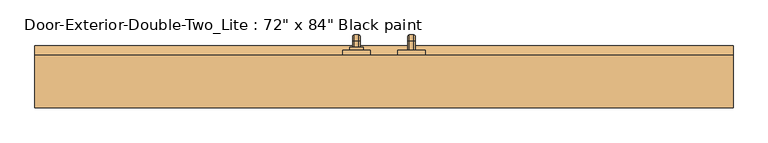
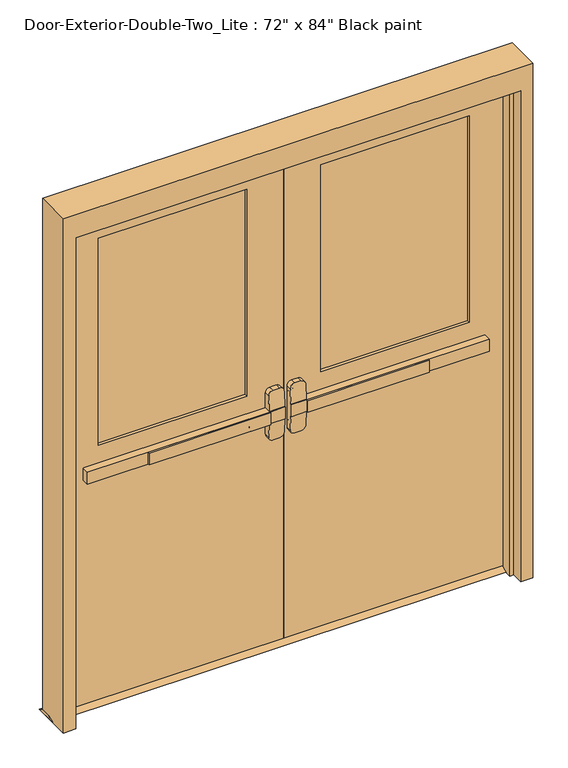
"""IFC4 building model written with IfcOpenShell, lengths in millimetres: door geometry."""

from ifc_helpers import new_model, si_unit, point, frame, frame_2d, origin, place, context, project, spatial, polyline, circle_curve, ellipse_curve, trimmed, segment, composite_curve, outline, extrude, faceted_brep, source, transform, mapped, element, save
from ifc_brep_helpers import plane_surface, cylinder_surface, revolved_surface, advanced_brep


def door_7283aeb8(model_context):
    return source(origin(), model_context, "Body", "SolidModel", [
        extrude(outline(polyline([(-575.7333333, 125.4125), (-575.7333333, 131.7625), (-76.2, 131.7625), (-76.2, 125.4125), (-575.7333333, 125.4125)])), frame((0.0, 0.0, 990.6), z_axis=(0.0, 0.0, 1.0), x_axis=(1.0, 0.0, 0.0)), (0.0, 0.0, 1.0), 50.8),
        advanced_brep(
        [(-12.7, 131.7625, 1041.4), (-76.2, 131.7625, 1041.4), (-825.5, 131.7625, 1041.4), (-825.5, 131.7625, 990.6), (-76.2, 131.7625, 990.6), (-12.7, 131.7625, 990.6), (-825.5, 163.5125, 1041.4), (-76.2, 163.5125, 1041.4), (-76.2, 163.5125, 1104.9), (-57.15, 163.5125, 1123.95), (-31.75, 163.5125, 1123.95), (-12.7, 163.5125, 1104.9), (-12.7, 163.5125, 927.1), (-31.75, 163.5125, 908.05), (-57.15, 163.5125, 908.05), (-76.2, 163.5125, 927.1), (-76.2, 163.5125, 990.6), (-825.5, 163.5125, 990.6), (-12.7, 134.9377467, 1041.4), (-76.2, 134.9377467, 1041.4), (-12.7, 134.9377467, 990.6), (-12.7, 139.9479269, 927.1), (-12.7, 139.9479269, 1104.9), (-76.2, 134.9377467, 990.6), (-76.2, 139.9479269, 1104.9), (-76.2, 139.9479269, 927.1), (-57.15, 141.450981, 1123.95), (-31.75, 141.450981, 1123.95), (-31.75, 141.450981, 908.05), (-57.15, 141.450981, 908.05)],
        [
            (0, 1),
            (1, 2),
            (2, 3),
            (3, 4),
            (4, 5),
            (5, 0),
            (6, 7),
            (7, 8),
            (8, 9, circle_curve(frame((-57.15, 163.5125, 1104.9), z_axis=(0.0, 1.0, 0.0), x_axis=(-1.0, 0.0, 0.0)), 19.05)),
            (9, 10),
            (10, 11, circle_curve(frame((-31.75, 163.5125, 1104.9), z_axis=(0.0, 1.0, 0.0), x_axis=(-1.0, 0.0, 0.0)), 19.05)),
            (11, 12),
            (12, 13, circle_curve(frame((-31.75, 163.5125, 927.1), z_axis=(0.0, 1.0, 0.0), x_axis=(-1.0, 0.0, 0.0)), 19.05)),
            (13, 14),
            (14, 15, circle_curve(frame((-57.15, 163.5125, 927.1), z_axis=(0.0, 1.0, 0.0), x_axis=(-1.0, 0.0, 0.0)), 19.05)),
            (15, 16),
            (16, 17),
            (17, 6),
            (0, 18),
            (18, 19),
            (19, 7),
            (6, 2),
            (5, 20),
            (20, 21),
            (21, 12),
            (11, 22),
            (22, 18),
            (16, 23),
            (23, 20),
            (3, 17),
            (19, 24),
            (24, 8),
            (15, 25),
            (25, 23),
            (9, 26),
            (26, 27),
            (27, 10),
            (13, 28),
            (28, 29),
            (29, 14),
            (29, 25, ellipse_curve(frame((-57.15, 139.9479269, 927.1), z_axis=(0.0, 0.9969018152893365, 0.07865602756830282), x_axis=(0.0, -0.07865602756830208, 0.9969018152893365)), 19.1092038, 19.05)),
            (24, 26, ellipse_curve(frame((-57.15, 139.9479269, 1104.9), z_axis=(0.0, 0.9969018152893376, -0.07865602756828934), x_axis=(0.0, -0.078656027568288, -0.9969018152893377)), 19.1092038, 19.05)),
            (27, 22, ellipse_curve(frame((-31.75, 139.9479269, 1104.9), z_axis=(0.0, 0.9969018152893376, -0.07865602756828934), x_axis=(0.0, -0.078656027568288, -0.9969018152893377)), 19.1092038, 19.05)),
            (21, 28, ellipse_curve(frame((-31.75, 139.9479269, 927.1), z_axis=(0.0, 0.9969018152893365, 0.07865602756830282), x_axis=(0.0, -0.07865602756830208, 0.9969018152893365)), 19.1092038, 19.05)),
        ],
        [
            plane_surface(frame((-12.7, 131.7625, 1041.4), z_axis=(0.0, -1.0, 0.0), x_axis=(1.0, 0.0, 0.0))),
            plane_surface(frame((-12.7, 163.5125, 1041.4), z_axis=(0.0, 1.0, 0.0), x_axis=(-1.0, 0.0, 0.0))),
            plane_surface(frame((-825.5, 131.7625, 1041.4), z_axis=(0.0, 0.0, 1.0), x_axis=(0.0, 1.0, 0.0))),
            plane_surface(frame((-12.7, 131.7625, 1041.4), z_axis=(1.0, 0.0, 0.0), x_axis=(0.0, 1.0, 0.0))),
            plane_surface(frame((-12.7, 131.7625, 990.6), z_axis=(0.0, 0.0, -1.0), x_axis=(0.0, 1.0, 0.0))),
            plane_surface(frame((-825.5, 131.7625, 990.6), z_axis=(-1.0, 0.0, 0.0), x_axis=(0.0, 1.0, 0.0))),
            plane_surface(frame((-76.2, 134.9377467, 927.1), z_axis=(-1.0, 0.0, 0.0), x_axis=(0.0, 1.0, 0.0))),
            plane_surface(frame((-57.15, 134.9377467, 1123.95), z_axis=(0.0, 0.0, 1.0), x_axis=(0.0, 1.0, 0.0))),
            plane_surface(frame((-31.75, 134.9377467, 908.05), z_axis=(0.0, 0.0, -1.0), x_axis=(0.0, 1.0, 0.0))),
            cylinder_surface(frame((-57.15, 163.5125, 927.1), z_axis=(0.0, -1.0, 0.0), x_axis=(-1.0, 0.0, 0.0)), 19.05),
            cylinder_surface(frame((-57.15, 163.5125, 1104.9), z_axis=(0.0, -1.0, 0.0), x_axis=(-1.0, 0.0, 0.0)), 19.05),
            cylinder_surface(frame((-31.75, 163.5125, 1104.9), z_axis=(0.0, -1.0, 0.0), x_axis=(-1.0, 0.0, 0.0)), 19.05),
            cylinder_surface(frame((-31.75, 163.5125, 927.1), z_axis=(0.0, -1.0, 0.0), x_axis=(-1.0, 0.0, 0.0)), 19.05),
            plane_surface(frame((-76.2, 134.9377467, 1041.4), z_axis=(0.0, -0.9969018152893376, 0.07865602756828934), x_axis=(1.0, 0.0, 0.0))),
            plane_surface(frame((-76.2, 141.450981, 908.05), z_axis=(0.0, -0.9969018152893365, -0.07865602756830282), x_axis=(1.0, 0.0, 0.0))),
        ],
        [
            (0, [[1, 2, 3, 4, 5, 6]]),
            (1, [[7, 8, 9, 10, 11, 12, 13, 14, 15, 16, 17, 18]]),
            (2, [[-2, -1, 19, 20, 21, -7, 22]]),
            (3, [[23, 24, 25, -12, 26, 27, -19, -6]]),
            (4, [[-17, 28, 29, -23, -5, -4, 30]]),
            (5, [[-22, -18, -30, -3]]),
            (6, [[-21, 31, 32, -8]]),
            (6, [[33, 34, -28, -16]]),
            (7, [[35, 36, 37, -10]]),
            (8, [[38, 39, 40, -14]]),
            (9, [[-40, 41, -33, -15]]),
            (10, [[-32, 42, -35, -9]]),
            (11, [[-37, 43, -26, -11]]),
            (12, [[-25, 44, -38, -13]]),
            (13, [[-27, -43, -36, -42, -31, -20]]),
            (14, [[-29, -34, -41, -39, -44, -24]]),
        ],
    ),
        extrude(outline(polyline([(207.9625, 12.7), (233.3625, 0.0), (138.1125, 0.0), (163.5125, 12.7), (207.9625, 12.7)])), frame((-965.2, 0.0, 0.0), z_axis=(1.0, 0.0, 0.0), x_axis=(0.0, 1.0, 0.0)), (0.0, 0.0, 1.0), 1930.4),
        extrude(outline(polyline([(575.7333333, 125.4125), (76.2, 125.4125), (76.2, 131.7625), (575.7333333, 131.7625), (575.7333333, 125.4125)])), frame((0.0, 0.0, 990.6), z_axis=(0.0, 0.0, 1.0), x_axis=(1.0, 0.0, 0.0)), (0.0, 0.0, 1.0), 50.8),
        advanced_brep(
        [(12.7, 131.7625, 1041.4), (12.7, 131.7625, 990.6), (76.2, 131.7625, 990.6), (825.5, 131.7625, 990.6), (825.5, 131.7625, 1041.4), (76.2, 131.7625, 1041.4), (825.5, 163.5125, 1041.4), (825.5, 163.5125, 990.6), (76.2, 163.5125, 990.6), (76.2, 163.5125, 927.1), (57.15, 163.5125, 908.05), (31.75, 163.5125, 908.05), (12.7, 163.5125, 927.1), (12.7, 163.5125, 1104.9), (31.75, 163.5125, 1123.95), (57.15, 163.5125, 1123.95), (76.2, 163.5125, 1104.9), (76.2, 163.5125, 1041.4), (76.2, 134.9377467, 1041.4), (12.7, 134.9377467, 1041.4), (12.7, 139.9479269, 1104.9), (12.7, 139.9479269, 927.1), (12.7, 134.9377467, 990.6), (76.2, 134.9377467, 990.6), (76.2, 139.9479269, 927.1), (76.2, 139.9479269, 1104.9), (31.75, 141.450981, 1123.95), (57.15, 141.450981, 1123.95), (57.15, 141.450981, 908.05), (31.75, 141.450981, 908.05)],
        [
            (0, 1),
            (1, 2),
            (2, 3),
            (3, 4),
            (4, 5),
            (5, 0),
            (6, 7),
            (7, 8),
            (8, 9),
            (9, 10, circle_curve(frame((57.15, 163.5125, 927.1), z_axis=(0.0, 1.0, 0.0), x_axis=(1.0, 0.0, 0.0)), 19.05)),
            (10, 11),
            (11, 12, circle_curve(frame((31.75, 163.5125, 927.1), z_axis=(0.0, 1.0, 0.0), x_axis=(1.0, 0.0, 0.0)), 19.05)),
            (12, 13),
            (13, 14, circle_curve(frame((31.75, 163.5125, 1104.9), z_axis=(0.0, 1.0, 0.0), x_axis=(1.0, 0.0, 0.0)), 19.05)),
            (14, 15),
            (15, 16, circle_curve(frame((57.15, 163.5125, 1104.9), z_axis=(0.0, 1.0, 0.0), x_axis=(1.0, 0.0, 0.0)), 19.05)),
            (16, 17),
            (17, 6),
            (4, 6),
            (17, 18),
            (18, 19),
            (19, 0),
            (19, 20),
            (20, 13),
            (12, 21),
            (21, 22),
            (22, 1),
            (7, 3),
            (22, 23),
            (23, 8),
            (23, 24),
            (24, 9),
            (16, 25),
            (25, 18),
            (14, 26),
            (26, 27),
            (27, 15),
            (10, 28),
            (28, 29),
            (29, 11),
            (24, 28, ellipse_curve(frame((57.15, 139.9479269, 927.1), z_axis=(0.0, 0.9969018152893365, 0.07865602756830282), x_axis=(0.0, -0.07865602756830208, 0.9969018152893365)), 19.1092038, 19.05)),
            (27, 25, ellipse_curve(frame((57.15, 139.9479269, 1104.9), z_axis=(0.0, 0.9969018152893376, -0.07865602756828934), x_axis=(0.0, -0.078656027568288, -0.9969018152893377)), 19.1092038, 19.05)),
            (20, 26, ellipse_curve(frame((31.75, 139.9479269, 1104.9), z_axis=(0.0, 0.9969018152893376, -0.07865602756828934), x_axis=(0.0, -0.078656027568288, -0.9969018152893377)), 19.1092038, 19.05)),
            (29, 21, ellipse_curve(frame((31.75, 139.9479269, 927.1), z_axis=(0.0, 0.9969018152893365, 0.07865602756830282), x_axis=(0.0, -0.07865602756830208, 0.9969018152893365)), 19.1092038, 19.05)),
        ],
        [
            plane_surface(frame((12.7, 131.7625, 1041.4), z_axis=(0.0, -1.0, 0.0), x_axis=(-1.0, 0.0, 0.0))),
            plane_surface(frame((12.7, 163.5125, 1041.4), z_axis=(0.0, 1.0, 0.0), x_axis=(1.0, 0.0, 0.0))),
            plane_surface(frame((825.5, 131.7625, 1041.4), z_axis=(0.0, 0.0, 1.0), x_axis=(0.0, 1.0, 0.0))),
            plane_surface(frame((12.7, 131.7625, 1041.4), z_axis=(-1.0, 0.0, 0.0), x_axis=(0.0, 1.0, 0.0))),
            plane_surface(frame((12.7, 131.7625, 990.6), z_axis=(0.0, 0.0, -1.0), x_axis=(0.0, 1.0, 0.0))),
            plane_surface(frame((825.5, 131.7625, 990.6), z_axis=(1.0, 0.0, 0.0), x_axis=(0.0, 1.0, 0.0))),
            plane_surface(frame((76.2, 134.9377467, 927.1), z_axis=(1.0, 0.0, 0.0), x_axis=(0.0, 1.0, 0.0))),
            plane_surface(frame((57.15, 134.9377467, 1123.95), z_axis=(0.0, 0.0, 1.0), x_axis=(0.0, 1.0, 0.0))),
            plane_surface(frame((31.75, 134.9377467, 908.05), z_axis=(0.0, 0.0, -1.0), x_axis=(0.0, 1.0, 0.0))),
            cylinder_surface(frame((57.15, 163.5125, 927.1), z_axis=(0.0, -1.0, 0.0), x_axis=(1.0, 0.0, 0.0)), 19.05),
            cylinder_surface(frame((57.15, 163.5125, 1104.9), z_axis=(0.0, -1.0, 0.0), x_axis=(1.0, 0.0, 0.0)), 19.05),
            cylinder_surface(frame((31.75, 163.5125, 1104.9), z_axis=(0.0, -1.0, 0.0), x_axis=(1.0, 0.0, 0.0)), 19.05),
            cylinder_surface(frame((31.75, 163.5125, 927.1), z_axis=(0.0, -1.0, 0.0), x_axis=(1.0, 0.0, 0.0)), 19.05),
            plane_surface(frame((76.2, 134.9377467, 1041.4), z_axis=(0.0, -0.9969018152893376, 0.07865602756828934), x_axis=(-1.0, 0.0, 0.0))),
            plane_surface(frame((76.2, 141.450981, 908.05), z_axis=(0.0, -0.9969018152893365, -0.07865602756830282), x_axis=(-1.0, 0.0, 0.0))),
        ],
        [
            (0, [[1, 2, 3, 4, 5, 6]]),
            (1, [[7, 8, 9, 10, 11, 12, 13, 14, 15, 16, 17, 18]]),
            (2, [[19, -18, 20, 21, 22, -6, -5]]),
            (3, [[-1, -22, 23, 24, -13, 25, 26, 27]]),
            (4, [[28, -3, -2, -27, 29, 30, -8]]),
            (5, [[-4, -28, -7, -19]]),
            (6, [[-9, -30, 31, 32]]),
            (6, [[-17, 33, 34, -20]]),
            (7, [[-15, 35, 36, 37]]),
            (8, [[-11, 38, 39, 40]]),
            (9, [[-10, -32, 41, -38]]),
            (10, [[-16, -37, 42, -33]]),
            (11, [[-14, -24, 43, -35]]),
            (12, [[-12, -40, 44, -25]]),
            (13, [[-21, -34, -42, -36, -43, -23]]),
            (14, [[-26, -44, -39, -41, -31, -29]]),
        ],
    ),
        advanced_brep(
        [(66.2, 220.6625, 1017.190625), (66.2, 220.6625, 1014.809375), (69.771875, 220.6625, 1011.2375), (82.6284594, 220.6625, 1011.2375), (86.2, 220.6625, 1014.8090406), (86.2, 220.6625, 1017.190625), (82.628125, 220.6625, 1020.7625), (69.771875, 220.6625, 1020.7625), (66.2, 220.6625, 887.809375), (69.771875, 220.6625, 884.2375), (82.628125, 220.6625, 884.2375), (86.2, 220.6625, 887.809375), (86.2, 220.6625, 890.1909594), (82.6284594, 220.6625, 893.7625), (69.771875, 220.6625, 893.7625), (66.2, 220.6625, 890.190625), (66.2, 246.0625, 1017.190625), (66.2, 259.953125, 1003.3), (66.2, 259.953125, 901.7), (66.2, 246.0625, 887.809375), (66.2, 246.0625, 890.190625), (66.2, 257.571875, 901.7), (66.2, 257.571875, 1003.3), (66.2, 246.0625, 1014.809375), (69.771875, 246.0625, 1011.2375), (82.6284594, 246.0625, 1011.2375), (86.2, 246.0625, 1014.8090406), (86.2, 257.5715406, 1003.3), (86.2, 257.5715406, 901.7), (86.2, 246.0625, 890.1909594), (86.2, 246.0625, 887.809375), (86.2, 259.953125, 901.7), (86.2, 259.953125, 1003.3), (86.2, 246.0625, 1017.190625), (82.628125, 246.0625, 1020.7625), (69.771875, 246.0625, 1020.7625), (69.771875, 254.0, 1003.3), (82.6284594, 254.0, 1003.3), (82.628125, 263.525, 1003.3), (69.771875, 263.525, 1003.3), (69.771875, 254.0, 901.7), (82.6284594, 254.0, 901.7), (82.628125, 263.525, 901.7), (69.771875, 263.525, 901.7), (69.771875, 246.0625, 893.7625), (82.6284594, 246.0625, 893.7625), (82.628125, 246.0625, 884.2375), (69.771875, 246.0625, 884.2375)],
        [
            (0, 1),
            (1, 2, circle_curve(frame((69.771875, 220.6625, 1014.809375), z_axis=(0.0, -1.0, 0.0), x_axis=(0.0, 0.0, 1.0)), 3.571875)),
            (2, 3),
            (3, 4, circle_curve(frame((82.6284594, 220.6625, 1014.8090406), z_axis=(0.0, -1.0, 0.0), x_axis=(0.0, 0.0, 1.0)), 3.5715406)),
            (4, 5),
            (5, 6, circle_curve(frame((82.628125, 220.6625, 1017.190625), z_axis=(0.0, -1.0, 0.0), x_axis=(0.0, 0.0, 1.0)), 3.571875)),
            (6, 7),
            (7, 0, circle_curve(frame((69.771875, 220.6625, 1017.190625), z_axis=(0.0, -1.0, 0.0), x_axis=(0.0, 0.0, 1.0)), 3.571875)),
            (8, 9, circle_curve(frame((69.771875, 220.6625, 887.809375), z_axis=(0.0, -1.0, 0.0), x_axis=(0.0, 0.0, -1.0)), 3.571875)),
            (9, 10),
            (10, 11, circle_curve(frame((82.628125, 220.6625, 887.809375), z_axis=(0.0, -1.0, 0.0), x_axis=(0.0, 0.0, -1.0)), 3.571875)),
            (11, 12),
            (12, 13, circle_curve(frame((82.6284594, 220.6625, 890.1909594), z_axis=(0.0, -1.0, 0.0), x_axis=(0.0, 0.0, -1.0)), 3.5715406)),
            (13, 14),
            (14, 15, circle_curve(frame((69.771875, 220.6625, 890.190625), z_axis=(0.0, -1.0, 0.0), x_axis=(0.0, 0.0, -1.0)), 3.571875)),
            (15, 8),
            (0, 16),
            (16, 17, circle_curve(frame((66.2, 246.0625, 1003.3), z_axis=(-1.0, 0.0, 0.0), x_axis=(0.0, 0.0, 1.0)), 13.890625)),
            (17, 18),
            (18, 19, circle_curve(frame((66.2, 246.0625, 901.7), z_axis=(-1.0, 0.0, 0.0), x_axis=(0.0, 1.0, 0.0)), 13.890625)),
            (19, 8),
            (15, 20),
            (20, 21, circle_curve(frame((66.2, 246.0625, 901.7), z_axis=(1.0, 0.0, 0.0), x_axis=(0.0, 1.0, 0.0)), 11.509375)),
            (21, 22),
            (22, 23, circle_curve(frame((66.2, 246.0625, 1003.3), z_axis=(1.0, 0.0, 0.0), x_axis=(0.0, 0.0, 1.0)), 11.509375)),
            (23, 1),
            (23, 24, circle_curve(frame((69.771875, 246.0625, 1014.809375), z_axis=(0.0, -1.0, 0.0), x_axis=(0.0, 0.0, 1.0)), 3.571875)),
            (24, 2),
            (24, 25),
            (25, 3),
            (25, 26, circle_curve(frame((82.6284594, 246.0625, 1014.8090406), z_axis=(0.0, -1.0, 0.0), x_axis=(0.0, 0.0, 1.0)), 3.5715406)),
            (26, 4),
            (26, 27, circle_curve(frame((86.2, 246.0625, 1003.3), z_axis=(-1.0, 0.0, 0.0), x_axis=(0.0, 0.0, 1.0)), 11.5090406)),
            (27, 28),
            (28, 29, circle_curve(frame((86.2, 246.0625, 901.7), z_axis=(-1.0, 0.0, 0.0), x_axis=(0.0, 1.0, 0.0)), 11.5090406)),
            (29, 12),
            (11, 30),
            (30, 31, circle_curve(frame((86.2, 246.0625, 901.7), z_axis=(1.0, 0.0, 0.0), x_axis=(0.0, 1.0, 0.0)), 13.890625)),
            (31, 32),
            (32, 33, circle_curve(frame((86.2, 246.0625, 1003.3), z_axis=(1.0, 0.0, 0.0), x_axis=(0.0, 0.0, 1.0)), 13.890625)),
            (33, 5),
            (33, 34, circle_curve(frame((82.628125, 246.0625, 1017.190625), z_axis=(0.0, -1.0, 0.0), x_axis=(0.0, 0.0, 1.0)), 3.571875)),
            (34, 6),
            (34, 35),
            (35, 7),
            (35, 16, circle_curve(frame((69.771875, 246.0625, 1017.190625), z_axis=(0.0, -1.0, 0.0), x_axis=(0.0, 0.0, 1.0)), 3.571875)),
            (36, 24, circle_curve(frame((69.771875, 246.0625, 1003.3), z_axis=(1.0, 0.0, 0.0), x_axis=(0.0, 0.0, 1.0)), 7.9375)),
            (22, 36, circle_curve(frame((69.771875, 257.571875, 1003.3), z_axis=(0.0, 0.0, 1.0), x_axis=(0.0, 1.0, 0.0)), 3.571875)),
            (37, 25, circle_curve(frame((82.6284594, 246.0625, 1003.3), z_axis=(1.0, 0.0, 0.0), x_axis=(0.0, 0.0, 1.0)), 7.9375)),
            (36, 37),
            (37, 27, circle_curve(frame((82.6284594, 257.5715406, 1003.3), z_axis=(0.0, 0.0, 1.0), x_axis=(0.0, 1.0, 0.0)), 3.5715406)),
            (38, 34, circle_curve(frame((82.628125, 246.0625, 1003.3), z_axis=(1.0, 0.0, 0.0), x_axis=(0.0, 0.0, 1.0)), 17.4625)),
            (32, 38, circle_curve(frame((82.628125, 259.953125, 1003.3), z_axis=(0.0, 0.0, 1.0), x_axis=(0.0, 1.0, 0.0)), 3.571875)),
            (39, 35, circle_curve(frame((69.771875, 246.0625, 1003.3), z_axis=(1.0, 0.0, 0.0), x_axis=(0.0, 0.0, 1.0)), 17.4625)),
            (38, 39),
            (39, 17, circle_curve(frame((69.771875, 259.953125, 1003.3), z_axis=(0.0, 0.0, 1.0), x_axis=(0.0, 1.0, 0.0)), 3.571875)),
            (21, 40, circle_curve(frame((69.771875, 257.571875, 901.7), z_axis=(0.0, 0.0, 1.0), x_axis=(0.0, 1.0, 0.0)), 3.571875)),
            (40, 36),
            (40, 41),
            (41, 37),
            (41, 28, circle_curve(frame((82.6284594, 257.5715406, 901.7), z_axis=(0.0, 0.0, 1.0), x_axis=(0.0, 1.0, 0.0)), 3.5715406)),
            (31, 42, circle_curve(frame((82.628125, 259.953125, 901.7), z_axis=(0.0, 0.0, 1.0), x_axis=(0.0, 1.0, 0.0)), 3.571875)),
            (42, 38),
            (42, 43),
            (43, 39),
            (43, 18, circle_curve(frame((69.771875, 259.953125, 901.7), z_axis=(0.0, 0.0, 1.0), x_axis=(0.0, 1.0, 0.0)), 3.571875)),
            (44, 40, circle_curve(frame((69.771875, 246.0625, 901.7), z_axis=(1.0, 0.0, 0.0), x_axis=(0.0, 1.0, 0.0)), 7.9375)),
            (20, 44, circle_curve(frame((69.771875, 246.0625, 890.190625), z_axis=(0.0, 1.0, 0.0), x_axis=(0.0, 0.0, -1.0)), 3.571875)),
            (45, 41, circle_curve(frame((82.6284594, 246.0625, 901.7), z_axis=(1.0, 0.0, 0.0), x_axis=(0.0, 1.0, 0.0)), 7.9375)),
            (44, 45),
            (45, 29, circle_curve(frame((82.6284594, 246.0625, 890.1909594), z_axis=(0.0, 1.0, 0.0), x_axis=(0.0, 0.0, -1.0)), 3.5715406)),
            (46, 42, circle_curve(frame((82.628125, 246.0625, 901.7), z_axis=(1.0, 0.0, 0.0), x_axis=(0.0, 1.0, 0.0)), 17.4625)),
            (30, 46, circle_curve(frame((82.628125, 246.0625, 887.809375), z_axis=(0.0, 1.0, 0.0), x_axis=(0.0, 0.0, -1.0)), 3.571875)),
            (47, 43, circle_curve(frame((69.771875, 246.0625, 901.7), z_axis=(1.0, 0.0, 0.0), x_axis=(0.0, 1.0, 0.0)), 17.4625)),
            (46, 47),
            (47, 19, circle_curve(frame((69.771875, 246.0625, 887.809375), z_axis=(0.0, 1.0, 0.0), x_axis=(0.0, 0.0, -1.0)), 3.571875)),
            (14, 44),
            (13, 45),
            (10, 46),
            (9, 47),
        ],
        [
            plane_surface(frame((76.2, 220.6625, 1016.0), z_axis=(0.0, -1.0, 0.0), x_axis=(1.0, 0.0, 0.0))),
            plane_surface(frame((76.2, 220.6625, 889.0), z_axis=(0.0, -1.0, 0.0), x_axis=(1.0, 0.0, 0.0))),
            plane_surface(frame((66.2, 220.6625, 1017.190625), z_axis=(-1.0, 0.0, 0.0), x_axis=(0.0, 1.0, 0.0))),
            cylinder_surface(frame((69.771875, 220.6625, 1014.809375), z_axis=(0.0, -1.0, 0.0), x_axis=(0.0, 0.0, 1.0)), 3.571875),
            plane_surface(frame((69.771875, 220.6625, 1011.2375), z_axis=(0.0, 0.0, -1.0), x_axis=(0.0, 1.0, 0.0))),
            cylinder_surface(frame((82.6284594, 220.6625, 1014.8090406), z_axis=(0.0, -1.0, 0.0), x_axis=(0.0, 0.0, 1.0)), 3.5715406),
            plane_surface(frame((86.2, 220.6625, 1014.8090406), z_axis=(1.0, 0.0, 0.0), x_axis=(0.0, 1.0, 0.0))),
            cylinder_surface(frame((82.628125, 220.6625, 1017.190625), z_axis=(0.0, -1.0, 0.0), x_axis=(0.0, 0.0, 1.0)), 3.571875),
            plane_surface(frame((82.628125, 220.6625, 1020.7625), z_axis=(0.0, 0.0, 1.0), x_axis=(0.0, 1.0, 0.0))),
            cylinder_surface(frame((69.771875, 220.6625, 1017.190625), z_axis=(0.0, -1.0, 0.0), x_axis=(0.0, 0.0, 1.0)), 3.571875),
            revolved_surface(trimmed(ellipse_curve(frame((69.771875, 246.0625, 1014.809375), z_axis=(0.0, -1.0, 0.0), x_axis=(0.0, 0.0, 1.0)), 3.571875, 3.571875), [point((66.2, 246.0625, 1014.809375))], [point((69.771875, 246.0625, 1011.2375))], True, "CARTESIAN"), (76.2, 246.0625, 1003.3), (-1.0, 0.0, 0.0)),
            revolved_surface(polyline([(69.771875, 246.0625, 1011.2375), (82.6284594, 246.0625, 1011.2375)]), (76.2, 246.0625, 1003.3), (-1.0, 0.0, 0.0)),
            revolved_surface(trimmed(ellipse_curve(frame((82.6284594, 246.0625, 1014.8090406), z_axis=(0.0, -1.0, 0.0), x_axis=(0.0, 0.0, 1.0)), 3.5715406, 3.5715406), [point((82.6284594, 246.0625, 1011.2375))], [point((86.2, 246.0625, 1014.8090406))], True, "CARTESIAN"), (76.2, 246.0625, 1003.3), (-1.0, 0.0, 0.0)),
            revolved_surface(trimmed(ellipse_curve(frame((82.628125, 246.0625, 1017.190625), z_axis=(0.0, -1.0, 0.0), x_axis=(0.0, 0.0, 1.0)), 3.571875, 3.571875), [point((86.2, 246.0625, 1017.190625))], [point((82.628125, 246.0625, 1020.7625))], True, "CARTESIAN"), (76.2, 246.0625, 1003.3), (-1.0, 0.0, 0.0)),
            cylinder_surface(frame((76.2, 246.0625, 1003.3), z_axis=(-1.0, 0.0, 0.0), x_axis=(0.0, 0.0, 1.0)), 17.4625),
            revolved_surface(trimmed(ellipse_curve(frame((69.771875, 246.0625, 1017.190625), z_axis=(0.0, -1.0, 0.0), x_axis=(0.0, 0.0, 1.0)), 3.571875, 3.571875), [point((69.771875, 246.0625, 1020.7625))], [point((66.2, 246.0625, 1017.190625))], True, "CARTESIAN"), (76.2, 246.0625, 1003.3), (-1.0, 0.0, 0.0)),
            cylinder_surface(frame((69.771875, 257.571875, 1003.3), z_axis=(0.0, 0.0, 1.0), x_axis=(0.0, 1.0, 0.0)), 3.571875),
            plane_surface(frame((69.771875, 254.0, 1003.3), z_axis=(0.0, -1.0, 0.0), x_axis=(0.0, 0.0, -1.0))),
            cylinder_surface(frame((82.6284594, 257.5715406, 1003.3), z_axis=(0.0, 0.0, 1.0), x_axis=(0.0, 1.0, 0.0)), 3.5715406),
            cylinder_surface(frame((82.628125, 259.953125, 1003.3), z_axis=(0.0, 0.0, 1.0), x_axis=(0.0, 1.0, 0.0)), 3.571875),
            plane_surface(frame((82.628125, 263.525, 1003.3), z_axis=(0.0, 1.0, 0.0), x_axis=(0.0, 0.0, -1.0))),
            cylinder_surface(frame((69.771875, 259.953125, 1003.3), z_axis=(0.0, 0.0, 1.0), x_axis=(0.0, 1.0, 0.0)), 3.571875),
            revolved_surface(trimmed(ellipse_curve(frame((69.771875, 257.571875, 901.7), z_axis=(0.0, 0.0, 1.0), x_axis=(0.0, 1.0, 0.0)), 3.571875, 3.571875), [point((66.2, 257.571875, 901.7))], [point((69.771875, 254.0, 901.7))], True, "CARTESIAN"), (76.2, 246.0625, 901.7), (-1.0, 0.0, 0.0)),
            revolved_surface(polyline([(69.771875, 254.0, 901.7), (82.6284594, 254.0, 901.7)]), (76.2, 246.0625, 901.7), (-1.0, 0.0, 0.0)),
            revolved_surface(trimmed(ellipse_curve(frame((82.6284594, 257.5715406, 901.7), z_axis=(0.0, 0.0, 1.0), x_axis=(0.0, 1.0, 0.0)), 3.5715406, 3.5715406), [point((82.6284594, 254.0, 901.7))], [point((86.2, 257.5715406, 901.7))], True, "CARTESIAN"), (76.2, 246.0625, 901.7), (-1.0, 0.0, 0.0)),
            revolved_surface(trimmed(ellipse_curve(frame((82.628125, 259.953125, 901.7), z_axis=(0.0, 0.0, 1.0), x_axis=(0.0, 1.0, 0.0)), 3.571875, 3.571875), [point((86.2, 259.953125, 901.7))], [point((82.628125, 263.525, 901.7))], True, "CARTESIAN"), (76.2, 246.0625, 901.7), (-1.0, 0.0, 0.0)),
            cylinder_surface(frame((76.2, 246.0625, 901.7), z_axis=(-1.0, 0.0, 0.0), x_axis=(0.0, 1.0, 0.0)), 17.4625),
            revolved_surface(trimmed(ellipse_curve(frame((69.771875, 259.953125, 901.7), z_axis=(0.0, 0.0, 1.0), x_axis=(0.0, 1.0, 0.0)), 3.571875, 3.571875), [point((69.771875, 263.525, 901.7))], [point((66.2, 259.953125, 901.7))], True, "CARTESIAN"), (76.2, 246.0625, 901.7), (-1.0, 0.0, 0.0)),
            cylinder_surface(frame((69.771875, 246.0625, 890.190625), z_axis=(0.0, 1.0, 0.0), x_axis=(0.0, 0.0, -1.0)), 3.571875),
            plane_surface(frame((69.771875, 246.0625, 893.7625), z_axis=(0.0, 0.0, 1.0), x_axis=(0.0, -1.0, 0.0))),
            cylinder_surface(frame((82.6284594, 246.0625, 890.1909594), z_axis=(0.0, 1.0, 0.0), x_axis=(0.0, 0.0, -1.0)), 3.5715406),
            cylinder_surface(frame((82.628125, 246.0625, 887.809375), z_axis=(0.0, 1.0, 0.0), x_axis=(0.0, 0.0, -1.0)), 3.571875),
            plane_surface(frame((82.628125, 246.0625, 884.2375), z_axis=(0.0, 0.0, -1.0), x_axis=(0.0, -1.0, 0.0))),
            cylinder_surface(frame((69.771875, 246.0625, 887.809375), z_axis=(0.0, 1.0, 0.0), x_axis=(0.0, 0.0, -1.0)), 3.571875),
        ],
        [
            (0, [[1, 2, 3, 4, 5, 6, 7, 8]]),
            (1, [[9, 10, 11, 12, 13, 14, 15, 16]]),
            (2, [[-1, 17, 18, 19, 20, 21, -16, 22, 23, 24, 25, 26]]),
            (3, [[-2, -26, 27, 28]]),
            (4, [[-3, -28, 29, 30]]),
            (5, [[-4, -30, 31, 32]]),
            (6, [[-5, -32, 33, 34, 35, 36, -12, 37, 38, 39, 40, 41]]),
            (7, [[-6, -41, 42, 43]]),
            (8, [[-7, -43, 44, 45]]),
            (9, [[-8, -45, 46, -17]]),
            (10, [[47, -27, -25, 48]]),
            (11, [[49, -29, -47, 50]]),
            (12, [[-33, -31, -49, 51]]),
            (13, [[52, -42, -40, 53]]),
            (14, [[54, -44, -52, 55]]),
            (15, [[-18, -46, -54, 56]]),
            (16, [[-48, -24, 57, 58]]),
            (17, [[-50, -58, 59, 60]]),
            (18, [[-51, -60, 61, -34]]),
            (19, [[-53, -39, 62, 63]]),
            (20, [[-55, -63, 64, 65]]),
            (21, [[-56, -65, 66, -19]]),
            (22, [[67, -57, -23, 68]]),
            (23, [[69, -59, -67, 70]]),
            (24, [[-35, -61, -69, 71]]),
            (25, [[72, -62, -38, 73]]),
            (26, [[74, -64, -72, 75]]),
            (27, [[-20, -66, -74, 76]]),
            (28, [[-68, -22, -15, 77]]),
            (29, [[-70, -77, -14, 78]]),
            (30, [[-71, -78, -13, -36]]),
            (31, [[-73, -37, -11, 79]]),
            (32, [[-75, -79, -10, 80]]),
            (33, [[-76, -80, -9, -21]]),
        ],
    ),
        extrude(outline(composite_curve([segment(trimmed(circle_curve(frame_2d((1113.0338574, 76.2)), 89.3016225), [point((1193.8, 114.3))], [point((1193.8, 38.1))], False, "CARTESIAN"), True, "CONTINUOUS"), segment(polyline([(1193.8, 38.1), (838.2, 38.1)]), True, "CONTINUOUS"), segment(trimmed(circle_curve(frame_2d((918.9661426, 76.2)), 89.3016225), [point((838.2, 38.1))], [point((838.2, 114.3))], False, "CARTESIAN"), True, "CONTINUOUS"), segment(polyline([(838.2, 114.3), (1193.8, 114.3)]), True, "CONTINUOUS")], self_intersect=False)), frame((0.0, 207.9625, 0.0), z_axis=(0.0, 1.0, 0.0), x_axis=(0.0, 0.0, 1.0)), (0.0, 0.0, 1.0), 12.7),
        advanced_brep(
        [(-86.2, 220.6625, 1017.190625), (-86.2, 220.6625, 1014.809375), (-82.628125, 220.6625, 1011.2375), (-69.7715406, 220.6625, 1011.2375), (-66.2, 220.6625, 1014.8090406), (-66.2, 220.6625, 1017.190625), (-69.771875, 220.6625, 1020.7625), (-82.628125, 220.6625, 1020.7625), (-86.2, 220.6625, 887.809375), (-82.628125, 220.6625, 884.2375), (-69.771875, 220.6625, 884.2375), (-66.2, 220.6625, 887.809375), (-66.2, 220.6625, 890.1909594), (-69.7715406, 220.6625, 893.7625), (-82.628125, 220.6625, 893.7625), (-86.2, 220.6625, 890.190625), (-86.2, 246.0625, 1017.190625), (-86.2, 259.953125, 1003.3), (-86.2, 259.953125, 901.7), (-86.2, 246.0625, 887.809375), (-86.2, 246.0625, 890.190625), (-86.2, 257.571875, 901.7), (-86.2, 257.571875, 1003.3), (-86.2, 246.0625, 1014.809375), (-82.628125, 246.0625, 1011.2375), (-69.7715406, 246.0625, 1011.2375), (-66.2, 246.0625, 1014.8090406), (-66.2, 257.5715406, 1003.3), (-66.2, 257.5715406, 901.7), (-66.2, 246.0625, 890.1909594), (-66.2, 246.0625, 887.809375), (-66.2, 259.953125, 901.7), (-66.2, 259.953125, 1003.3), (-66.2, 246.0625, 1017.190625), (-69.771875, 246.0625, 1020.7625), (-82.628125, 246.0625, 1020.7625), (-82.628125, 254.0, 1003.3), (-69.7715406, 254.0, 1003.3), (-69.771875, 263.525, 1003.3), (-82.628125, 263.525, 1003.3), (-82.628125, 254.0, 901.7), (-69.7715406, 254.0, 901.7), (-69.771875, 263.525, 901.7), (-82.628125, 263.525, 901.7), (-82.628125, 246.0625, 893.7625), (-69.7715406, 246.0625, 893.7625), (-69.771875, 246.0625, 884.2375), (-82.628125, 246.0625, 884.2375)],
        [
            (0, 1),
            (1, 2, circle_curve(frame((-82.628125, 220.6625, 1014.809375), z_axis=(0.0, -1.0, 0.0), x_axis=(0.0, 0.0, 1.0)), 3.571875)),
            (2, 3),
            (3, 4, circle_curve(frame((-69.7715406, 220.6625, 1014.8090406), z_axis=(0.0, -1.0, 0.0), x_axis=(0.0, 0.0, 1.0)), 3.5715406)),
            (4, 5),
            (5, 6, circle_curve(frame((-69.771875, 220.6625, 1017.190625), z_axis=(0.0, -1.0, 0.0), x_axis=(0.0, 0.0, 1.0)), 3.571875)),
            (6, 7),
            (7, 0, circle_curve(frame((-82.628125, 220.6625, 1017.190625), z_axis=(0.0, -1.0, 0.0), x_axis=(0.0, 0.0, 1.0)), 3.571875)),
            (8, 9, circle_curve(frame((-82.628125, 220.6625, 887.809375), z_axis=(0.0, -1.0, 0.0), x_axis=(0.0, 0.0, -1.0)), 3.571875)),
            (9, 10),
            (10, 11, circle_curve(frame((-69.771875, 220.6625, 887.809375), z_axis=(0.0, -1.0, 0.0), x_axis=(0.0, 0.0, -1.0)), 3.571875)),
            (11, 12),
            (12, 13, circle_curve(frame((-69.7715406, 220.6625, 890.1909594), z_axis=(0.0, -1.0, 0.0), x_axis=(0.0, 0.0, -1.0)), 3.5715406)),
            (13, 14),
            (14, 15, circle_curve(frame((-82.628125, 220.6625, 890.190625), z_axis=(0.0, -1.0, 0.0), x_axis=(0.0, 0.0, -1.0)), 3.571875)),
            (15, 8),
            (0, 16),
            (16, 17, circle_curve(frame((-86.2, 246.0625, 1003.3), z_axis=(-1.0, 0.0, 0.0), x_axis=(0.0, 0.0, 1.0)), 13.890625)),
            (17, 18),
            (18, 19, circle_curve(frame((-86.2, 246.0625, 901.7), z_axis=(-1.0, 0.0, 0.0), x_axis=(0.0, 1.0, 0.0)), 13.890625)),
            (19, 8),
            (15, 20),
            (20, 21, circle_curve(frame((-86.2, 246.0625, 901.7), z_axis=(1.0, 0.0, 0.0), x_axis=(0.0, 1.0, 0.0)), 11.509375)),
            (21, 22),
            (22, 23, circle_curve(frame((-86.2, 246.0625, 1003.3), z_axis=(1.0, 0.0, 0.0), x_axis=(0.0, 0.0, 1.0)), 11.509375)),
            (23, 1),
            (23, 24, circle_curve(frame((-82.628125, 246.0625, 1014.809375), z_axis=(0.0, -1.0, 0.0), x_axis=(0.0, 0.0, 1.0)), 3.571875)),
            (24, 2),
            (24, 25),
            (25, 3),
            (25, 26, circle_curve(frame((-69.7715406, 246.0625, 1014.8090406), z_axis=(0.0, -1.0, 0.0), x_axis=(0.0, 0.0, 1.0)), 3.5715406)),
            (26, 4),
            (26, 27, circle_curve(frame((-66.2, 246.0625, 1003.3), z_axis=(-1.0, 0.0, 0.0), x_axis=(0.0, 0.0, 1.0)), 11.5090406)),
            (27, 28),
            (28, 29, circle_curve(frame((-66.2, 246.0625, 901.7), z_axis=(-1.0, 0.0, 0.0), x_axis=(0.0, 1.0, 0.0)), 11.5090406)),
            (29, 12),
            (11, 30),
            (30, 31, circle_curve(frame((-66.2, 246.0625, 901.7), z_axis=(1.0, 0.0, 0.0), x_axis=(0.0, 1.0, 0.0)), 13.890625)),
            (31, 32),
            (32, 33, circle_curve(frame((-66.2, 246.0625, 1003.3), z_axis=(1.0, 0.0, 0.0), x_axis=(0.0, 0.0, 1.0)), 13.890625)),
            (33, 5),
            (33, 34, circle_curve(frame((-69.771875, 246.0625, 1017.190625), z_axis=(0.0, -1.0, 0.0), x_axis=(0.0, 0.0, 1.0)), 3.571875)),
            (34, 6),
            (34, 35),
            (35, 7),
            (35, 16, circle_curve(frame((-82.628125, 246.0625, 1017.190625), z_axis=(0.0, -1.0, 0.0), x_axis=(0.0, 0.0, 1.0)), 3.571875)),
            (36, 24, circle_curve(frame((-82.628125, 246.0625, 1003.3), z_axis=(1.0, 0.0, 0.0), x_axis=(0.0, 0.0, 1.0)), 7.9375)),
            (22, 36, circle_curve(frame((-82.628125, 257.571875, 1003.3), z_axis=(0.0, 0.0, 1.0), x_axis=(0.0, 1.0, 0.0)), 3.571875)),
            (37, 25, circle_curve(frame((-69.7715406, 246.0625, 1003.3), z_axis=(1.0, 0.0, 0.0), x_axis=(0.0, 0.0, 1.0)), 7.9375)),
            (36, 37),
            (37, 27, circle_curve(frame((-69.7715406, 257.5715406, 1003.3), z_axis=(0.0, 0.0, 1.0), x_axis=(0.0, 1.0, 0.0)), 3.5715406)),
            (38, 34, circle_curve(frame((-69.771875, 246.0625, 1003.3), z_axis=(1.0, 0.0, 0.0), x_axis=(0.0, 0.0, 1.0)), 17.4625)),
            (32, 38, circle_curve(frame((-69.771875, 259.953125, 1003.3), z_axis=(0.0, 0.0, 1.0), x_axis=(0.0, 1.0, 0.0)), 3.571875)),
            (39, 35, circle_curve(frame((-82.628125, 246.0625, 1003.3), z_axis=(1.0, 0.0, 0.0), x_axis=(0.0, 0.0, 1.0)), 17.4625)),
            (38, 39),
            (39, 17, circle_curve(frame((-82.628125, 259.953125, 1003.3), z_axis=(0.0, 0.0, 1.0), x_axis=(0.0, 1.0, 0.0)), 3.571875)),
            (21, 40, circle_curve(frame((-82.628125, 257.571875, 901.7), z_axis=(0.0, 0.0, 1.0), x_axis=(0.0, 1.0, 0.0)), 3.571875)),
            (40, 36),
            (40, 41),
            (41, 37),
            (41, 28, circle_curve(frame((-69.7715406, 257.5715406, 901.7), z_axis=(0.0, 0.0, 1.0), x_axis=(0.0, 1.0, 0.0)), 3.5715406)),
            (31, 42, circle_curve(frame((-69.771875, 259.953125, 901.7), z_axis=(0.0, 0.0, 1.0), x_axis=(0.0, 1.0, 0.0)), 3.571875)),
            (42, 38),
            (42, 43),
            (43, 39),
            (43, 18, circle_curve(frame((-82.628125, 259.953125, 901.7), z_axis=(0.0, 0.0, 1.0), x_axis=(0.0, 1.0, 0.0)), 3.571875)),
            (44, 40, circle_curve(frame((-82.628125, 246.0625, 901.7), z_axis=(1.0, 0.0, 0.0), x_axis=(0.0, 1.0, 0.0)), 7.9375)),
            (20, 44, circle_curve(frame((-82.628125, 246.0625, 890.190625), z_axis=(0.0, 1.0, 0.0), x_axis=(0.0, 0.0, -1.0)), 3.571875)),
            (45, 41, circle_curve(frame((-69.7715406, 246.0625, 901.7), z_axis=(1.0, 0.0, 0.0), x_axis=(0.0, 1.0, 0.0)), 7.9375)),
            (44, 45),
            (45, 29, circle_curve(frame((-69.7715406, 246.0625, 890.1909594), z_axis=(0.0, 1.0, 0.0), x_axis=(0.0, 0.0, -1.0)), 3.5715406)),
            (46, 42, circle_curve(frame((-69.771875, 246.0625, 901.7), z_axis=(1.0, 0.0, 0.0), x_axis=(0.0, 1.0, 0.0)), 17.4625)),
            (30, 46, circle_curve(frame((-69.771875, 246.0625, 887.809375), z_axis=(0.0, 1.0, 0.0), x_axis=(0.0, 0.0, -1.0)), 3.571875)),
            (47, 43, circle_curve(frame((-82.628125, 246.0625, 901.7), z_axis=(1.0, 0.0, 0.0), x_axis=(0.0, 1.0, 0.0)), 17.4625)),
            (46, 47),
            (47, 19, circle_curve(frame((-82.628125, 246.0625, 887.809375), z_axis=(0.0, 1.0, 0.0), x_axis=(0.0, 0.0, -1.0)), 3.571875)),
            (14, 44),
            (13, 45),
            (10, 46),
            (9, 47),
        ],
        [
            plane_surface(frame((-76.2, 220.6625, 1016.0), z_axis=(0.0, -1.0, 0.0), x_axis=(1.0, 0.0, 0.0))),
            plane_surface(frame((-76.2, 220.6625, 889.0), z_axis=(0.0, -1.0, 0.0), x_axis=(1.0, 0.0, 0.0))),
            plane_surface(frame((-86.2, 220.6625, 1017.190625), z_axis=(-1.0, 0.0, 0.0), x_axis=(0.0, 1.0, 0.0))),
            cylinder_surface(frame((-82.628125, 220.6625, 1014.809375), z_axis=(0.0, -1.0, 0.0), x_axis=(0.0, 0.0, 1.0)), 3.571875),
            plane_surface(frame((-82.628125, 220.6625, 1011.2375), z_axis=(0.0, 0.0, -1.0), x_axis=(0.0, 1.0, 0.0))),
            cylinder_surface(frame((-69.7715406, 220.6625, 1014.8090406), z_axis=(0.0, -1.0, 0.0), x_axis=(0.0, 0.0, 1.0)), 3.5715406),
            plane_surface(frame((-66.2, 220.6625, 1014.8090406), z_axis=(1.0, 0.0, 0.0), x_axis=(0.0, 1.0, 0.0))),
            cylinder_surface(frame((-69.771875, 220.6625, 1017.190625), z_axis=(0.0, -1.0, 0.0), x_axis=(0.0, 0.0, 1.0)), 3.571875),
            plane_surface(frame((-69.771875, 220.6625, 1020.7625), z_axis=(0.0, 0.0, 1.0), x_axis=(0.0, 1.0, 0.0))),
            cylinder_surface(frame((-82.628125, 220.6625, 1017.190625), z_axis=(0.0, -1.0, 0.0), x_axis=(0.0, 0.0, 1.0)), 3.571875),
            revolved_surface(trimmed(ellipse_curve(frame((-82.628125, 246.0625, 1014.809375), z_axis=(0.0, -1.0, 0.0), x_axis=(0.0, 0.0, 1.0)), 3.571875, 3.571875), [point((-86.2, 246.0625, 1014.809375))], [point((-82.628125, 246.0625, 1011.2375))], True, "CARTESIAN"), (-76.2, 246.0625, 1003.3), (-1.0, 0.0, 0.0)),
            revolved_surface(polyline([(-82.628125, 246.0625, 1011.2375), (-69.7715406, 246.0625, 1011.2375)]), (-76.2, 246.0625, 1003.3), (-1.0, 0.0, 0.0)),
            revolved_surface(trimmed(ellipse_curve(frame((-69.7715406, 246.0625, 1014.8090406), z_axis=(0.0, -1.0, 0.0), x_axis=(0.0, 0.0, 1.0)), 3.5715406, 3.5715406), [point((-69.7715406, 246.0625, 1011.2375))], [point((-66.2, 246.0625, 1014.8090406))], True, "CARTESIAN"), (-76.2, 246.0625, 1003.3), (-1.0, 0.0, 0.0)),
            revolved_surface(trimmed(ellipse_curve(frame((-69.771875, 246.0625, 1017.190625), z_axis=(0.0, -1.0, 0.0), x_axis=(0.0, 0.0, 1.0)), 3.571875, 3.571875), [point((-66.2, 246.0625, 1017.190625))], [point((-69.771875, 246.0625, 1020.7625))], True, "CARTESIAN"), (-76.2, 246.0625, 1003.3), (-1.0, 0.0, 0.0)),
            cylinder_surface(frame((-76.2, 246.0625, 1003.3), z_axis=(-1.0, 0.0, 0.0), x_axis=(0.0, 0.0, 1.0)), 17.4625),
            revolved_surface(trimmed(ellipse_curve(frame((-82.628125, 246.0625, 1017.190625), z_axis=(0.0, -1.0, 0.0), x_axis=(0.0, 0.0, 1.0)), 3.571875, 3.571875), [point((-82.628125, 246.0625, 1020.7625))], [point((-86.2, 246.0625, 1017.190625))], True, "CARTESIAN"), (-76.2, 246.0625, 1003.3), (-1.0, 0.0, 0.0)),
            cylinder_surface(frame((-82.628125, 257.571875, 1003.3), z_axis=(0.0, 0.0, 1.0), x_axis=(0.0, 1.0, 0.0)), 3.571875),
            plane_surface(frame((-82.628125, 254.0, 1003.3), z_axis=(0.0, -1.0, 0.0), x_axis=(0.0, 0.0, -1.0))),
            cylinder_surface(frame((-69.7715406, 257.5715406, 1003.3), z_axis=(0.0, 0.0, 1.0), x_axis=(0.0, 1.0, 0.0)), 3.5715406),
            cylinder_surface(frame((-69.771875, 259.953125, 1003.3), z_axis=(0.0, 0.0, 1.0), x_axis=(0.0, 1.0, 0.0)), 3.571875),
            plane_surface(frame((-69.771875, 263.525, 1003.3), z_axis=(0.0, 1.0, 0.0), x_axis=(0.0, 0.0, -1.0))),
            cylinder_surface(frame((-82.628125, 259.953125, 1003.3), z_axis=(0.0, 0.0, 1.0), x_axis=(0.0, 1.0, 0.0)), 3.571875),
            revolved_surface(trimmed(ellipse_curve(frame((-82.628125, 257.571875, 901.7), z_axis=(0.0, 0.0, 1.0), x_axis=(0.0, 1.0, 0.0)), 3.571875, 3.571875), [point((-86.2, 257.571875, 901.7))], [point((-82.628125, 254.0, 901.7))], True, "CARTESIAN"), (-76.2, 246.0625, 901.7), (-1.0, 0.0, 0.0)),
            revolved_surface(polyline([(-82.628125, 254.0, 901.7), (-69.7715406, 254.0, 901.7)]), (-76.2, 246.0625, 901.7), (-1.0, 0.0, 0.0)),
            revolved_surface(trimmed(ellipse_curve(frame((-69.7715406, 257.5715406, 901.7), z_axis=(0.0, 0.0, 1.0), x_axis=(0.0, 1.0, 0.0)), 3.5715406, 3.5715406), [point((-69.7715406, 254.0, 901.7))], [point((-66.2, 257.5715406, 901.7))], True, "CARTESIAN"), (-76.2, 246.0625, 901.7), (-1.0, 0.0, 0.0)),
            revolved_surface(trimmed(ellipse_curve(frame((-69.771875, 259.953125, 901.7), z_axis=(0.0, 0.0, 1.0), x_axis=(0.0, 1.0, 0.0)), 3.571875, 3.571875), [point((-66.2, 259.953125, 901.7))], [point((-69.771875, 263.525, 901.7))], True, "CARTESIAN"), (-76.2, 246.0625, 901.7), (-1.0, 0.0, 0.0)),
            cylinder_surface(frame((-76.2, 246.0625, 901.7), z_axis=(-1.0, 0.0, 0.0), x_axis=(0.0, 1.0, 0.0)), 17.4625),
            revolved_surface(trimmed(ellipse_curve(frame((-82.628125, 259.953125, 901.7), z_axis=(0.0, 0.0, 1.0), x_axis=(0.0, 1.0, 0.0)), 3.571875, 3.571875), [point((-82.628125, 263.525, 901.7))], [point((-86.2, 259.953125, 901.7))], True, "CARTESIAN"), (-76.2, 246.0625, 901.7), (-1.0, 0.0, 0.0)),
            cylinder_surface(frame((-82.628125, 246.0625, 890.190625), z_axis=(0.0, 1.0, 0.0), x_axis=(0.0, 0.0, -1.0)), 3.571875),
            plane_surface(frame((-82.628125, 246.0625, 893.7625), z_axis=(0.0, 0.0, 1.0), x_axis=(0.0, -1.0, 0.0))),
            cylinder_surface(frame((-69.7715406, 246.0625, 890.1909594), z_axis=(0.0, 1.0, 0.0), x_axis=(0.0, 0.0, -1.0)), 3.5715406),
            cylinder_surface(frame((-69.771875, 246.0625, 887.809375), z_axis=(0.0, 1.0, 0.0), x_axis=(0.0, 0.0, -1.0)), 3.571875),
            plane_surface(frame((-69.771875, 246.0625, 884.2375), z_axis=(0.0, 0.0, -1.0), x_axis=(0.0, -1.0, 0.0))),
            cylinder_surface(frame((-82.628125, 246.0625, 887.809375), z_axis=(0.0, 1.0, 0.0), x_axis=(0.0, 0.0, -1.0)), 3.571875),
        ],
        [
            (0, [[1, 2, 3, 4, 5, 6, 7, 8]]),
            (1, [[9, 10, 11, 12, 13, 14, 15, 16]]),
            (2, [[-1, 17, 18, 19, 20, 21, -16, 22, 23, 24, 25, 26]]),
            (3, [[-2, -26, 27, 28]]),
            (4, [[-3, -28, 29, 30]]),
            (5, [[-4, -30, 31, 32]]),
            (6, [[-5, -32, 33, 34, 35, 36, -12, 37, 38, 39, 40, 41]]),
            (7, [[-6, -41, 42, 43]]),
            (8, [[-7, -43, 44, 45]]),
            (9, [[-8, -45, 46, -17]]),
            (10, [[47, -27, -25, 48]]),
            (11, [[49, -29, -47, 50]]),
            (12, [[-33, -31, -49, 51]]),
            (13, [[52, -42, -40, 53]]),
            (14, [[54, -44, -52, 55]]),
            (15, [[-18, -46, -54, 56]]),
            (16, [[-48, -24, 57, 58]]),
            (17, [[-50, -58, 59, 60]]),
            (18, [[-51, -60, 61, -34]]),
            (19, [[-53, -39, 62, 63]]),
            (20, [[-55, -63, 64, 65]]),
            (21, [[-56, -65, 66, -19]]),
            (22, [[67, -57, -23, 68]]),
            (23, [[69, -59, -67, 70]]),
            (24, [[-35, -61, -69, 71]]),
            (25, [[72, -62, -38, 73]]),
            (26, [[74, -64, -72, 75]]),
            (27, [[-20, -66, -74, 76]]),
            (28, [[-68, -22, -15, 77]]),
            (29, [[-70, -77, -14, 78]]),
            (30, [[-71, -78, -13, -36]]),
            (31, [[-73, -37, -11, 79]]),
            (32, [[-75, -79, -10, 80]]),
            (33, [[-76, -80, -9, -21]]),
        ],
    ),
        extrude(outline(composite_curve([segment(trimmed(circle_curve(frame_2d((1117.6, -76.2)), 19.0), [point((1117.6, -95.2))], [point((1117.6, -57.2))], False, "CARTESIAN"), True, "CONTINUOUS"), segment(trimmed(circle_curve(frame_2d((1117.6, -76.2)), 19.0), [point((1117.6, -57.2))], [point((1117.6, -95.2))], False, "CARTESIAN"), True, "CONTINUOUS")], self_intersect=False)), frame((0.0, 220.6625, 0.0), z_axis=(0.0, 1.0, 0.0), x_axis=(0.0, 0.0, 1.0)), (0.0, 0.0, 1.0), 8.73125),
        extrude(outline(composite_curve([segment(trimmed(circle_curve(frame_2d((1113.0338574, -76.2)), 89.3016225), [point((1193.8, -38.1))], [point((1193.8, -114.3))], False, "CARTESIAN"), True, "CONTINUOUS"), segment(polyline([(1193.8, -114.3), (838.2, -114.3)]), True, "CONTINUOUS"), segment(trimmed(circle_curve(frame_2d((918.9661426, -76.2)), 89.3016225), [point((838.2, -114.3))], [point((838.2, -38.1))], False, "CARTESIAN"), True, "CONTINUOUS"), segment(polyline([(838.2, -38.1), (1193.8, -38.1)]), True, "CONTINUOUS")], self_intersect=False)), frame((0.0, 207.9625, 0.0), z_axis=(0.0, 1.0, 0.0), x_axis=(0.0, 0.0, 1.0)), (0.0, 0.0, 1.0), 12.7),
        faceted_brep([(914.4, 158.75, 0.0), (914.4, 207.9625, 0.0), (965.2, 207.9625, 0.0), (965.2, 61.9125, 0.0), (914.4, 61.9125, 0.0), (914.4, 111.125, 0.0), (898.525, 111.125, 0.0), (898.525, 158.75, 0.0), (914.4, 158.75, 2133.6), (914.4, 207.9625, 2133.6), (-914.4, 207.9625, 2133.6), (-914.4, 207.9625, 0.0), (-965.2, 207.9625, 0.0), (-965.2, 207.9625, 2235.2), (965.2, 207.9625, 2235.2), (965.2, 61.9125, 2235.2), (-965.2, 61.9125, 2235.2), (-965.2, 61.9125, 0.0), (-914.4, 61.9125, 0.0), (-914.4, 61.9125, 2133.6), (914.4, 61.9125, 2133.6), (914.4, 111.125, 2133.6), (-914.4, 111.125, 2133.6), (-914.4, 111.125, 0.0), (-898.525, 111.125, 0.0), (-898.525, 111.125, 2117.725), (898.525, 111.125, 2117.725), (898.525, 158.75, 2117.725), (-898.525, 158.75, 2117.725), (-898.525, 158.75, 0.0), (-914.4, 158.75, 0.0), (-914.4, 158.75, 2133.6)], [[[0, 1, 2, 3, 4, 5, 6, 7]], [[1, 0, 8, 9]], [[2, 1, 9, 10, 11, 12, 13, 14]], [[3, 2, 14, 15]], [[4, 3, 15, 16, 17, 18, 19, 20]], [[5, 4, 20, 21]], [[6, 5, 21, 22, 23, 24, 25, 26]], [[7, 6, 26, 27]], [[0, 7, 27, 28, 29, 30, 31, 8]], [[9, 8, 31, 10]], [[20, 19, 22, 21]], [[26, 25, 28, 27]], [[12, 11, 30, 29, 24, 23, 18, 17]], [[11, 10, 31, 30]], [[13, 12, 17, 16]], [[19, 18, 23, 22]], [[25, 24, 29, 28]], [[15, 14, 13, 16]]]),
        extrude(outline(polyline([(2133.6, 1.5875), (12.7, 1.5875), (12.7, 914.4), (2133.6, 914.4), (2133.6, 1.5875)]), holes=[polyline([(2016.125, 152.4), (2016.125, 762.0), (1117.6, 762.0), (1117.6, 152.4), (2016.125, 152.4)])]), frame((0.0, 163.5125, 0.0), z_axis=(0.0, 1.0, 0.0), x_axis=(0.0, 0.0, 1.0)), (0.0, 0.0, 1.0), 44.45),
        extrude(outline(polyline([(12.7, -1.5875), (2133.6, -1.5875), (2133.6, -914.4), (12.7, -914.4), (12.7, -1.5875)]), holes=[polyline([(2016.125, -762.0), (2016.125, -152.4), (1117.6, -152.4), (1117.6, -762.0), (2016.125, -762.0)])]), frame((0.0, 163.5125, 0.0), z_axis=(0.0, 1.0, 0.0), x_axis=(0.0, 0.0, 1.0)), (0.0, 0.0, 1.0), 44.45),
        extrude(outline(polyline([(762.0, 176.2125), (152.4, 176.2125), (152.4, 195.2625), (762.0, 195.2625), (762.0, 176.2125)])), frame((0.0, 0.0, 1117.6), z_axis=(0.0, 0.0, 1.0), x_axis=(1.0, 0.0, 0.0)), (0.0, 0.0, 1.0), 898.525),
        extrude(outline(polyline([(-152.4, 176.2125), (-762.0, 176.2125), (-762.0, 195.2625), (-152.4, 195.2625), (-152.4, 176.2125)])), frame((0.0, 0.0, 1117.6), z_axis=(0.0, 0.0, 1.0), x_axis=(1.0, 0.0, 0.0)), (0.0, 0.0, 1.0), 898.525),
        extrude(outline(polyline([(-152.4, 176.2125), (-762.0, 176.2125), (-762.0, 195.2625), (-152.4, 195.2625), (-152.4, 176.2125)])), frame((0.0, 0.0, 254.0), z_axis=(0.0, 0.0, 1.0), x_axis=(1.0, 0.0, 0.0)), (0.0, 0.0, 1.0), 660.4),
        extrude(outline(polyline([(762.0, 176.2125), (152.4, 176.2125), (152.4, 195.2625), (762.0, 195.2625), (762.0, 176.2125)])), frame((0.0, 0.0, 254.0), z_axis=(0.0, 0.0, 1.0), x_axis=(1.0, 0.0, 0.0)), (0.0, 0.0, 1.0), 660.4),
    ])


if __name__ == "__main__":
    model = new_model("IFC4")
    model_context = context("Model", 3, world=origin())
    ifc_project = project(units=[si_unit("LENGTHUNIT", "METRE", prefix="MILLI")], contexts=[model_context])
    site = spatial("IfcSite", under=ifc_project)
    building = spatial("IfcBuilding", under=site)
    placement = place(None, origin())
    door_shape = door_7283aeb8(model_context)
    element("IfcDoor", 1, ObjectType="Door-Exterior-Double-Two_Lite : 72\" x 84\" Black paint", at=placement, inside=building, context=model_context, shape_type="MappedRepresentation", body=[
        mapped(door_shape, transform((0.0, 0.0, 0.0), x_axis=(1.0, 0.0, 0.0), y_axis=(0.0, 1.0, 0.0), z_axis=(0.0, 0.0, 1.0))),
    ])
    save(model, "model.ifc")
